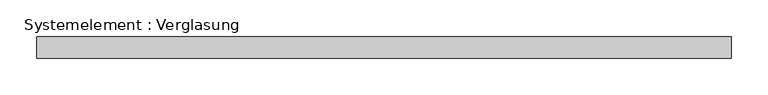
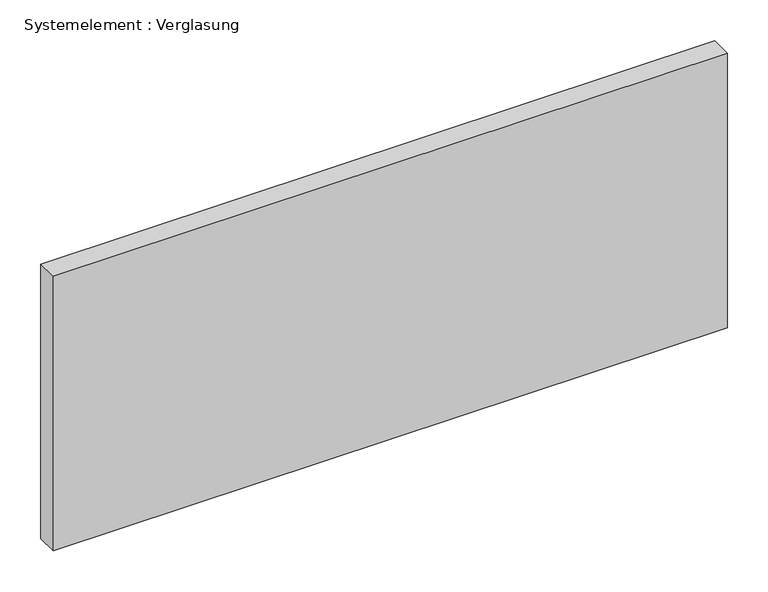
"""IFC4 building model written with IfcOpenShell, lengths in millimetres: plate geometry, Systemelement : Verglasung."""

from ifc_helpers import new_model, si_unit, origin, origin_with_axes, place, context, project, spatial, polyline, outline, extrude, source, transform, mapped, element, save


def systemelement_verglasung_d1fe0c22(model_context):
    return source(origin(), model_context, "Body", "SweptSolid", [
        extrude(outline(polyline([(475.8337479, -15.0), (-475.8337479, -15.0), (-475.8337479, 15.0), (475.8337479, 15.0), (475.8337479, -15.0)])), origin_with_axes(), (0.0, 0.0, 1.0), 410.0),
    ])


if __name__ == "__main__":
    model = new_model("IFC4")
    model_context = context("Model", 3, world=origin())
    ifc_project = project(units=[si_unit("LENGTHUNIT", "METRE", prefix="MILLI")], contexts=[model_context])
    site = spatial("IfcSite", under=ifc_project)
    building = spatial("IfcBuilding", under=site)
    placement = place(None, origin())
    systemelement_verglasung_shape = systemelement_verglasung_d1fe0c22(model_context)
    element("IfcPlate", 1, ObjectType="Systemelement : Verglasung", at=placement, inside=building, context=model_context, shape_type="MappedRepresentation", body=[
        mapped(systemelement_verglasung_shape, transform((0.0, 0.0, 0.0), x_axis=(1.0, 0.0, 0.0), y_axis=(0.0, 1.0, 0.0), z_axis=(0.0, 0.0, 1.0))),
    ])
    save(model, "model.ifc")
